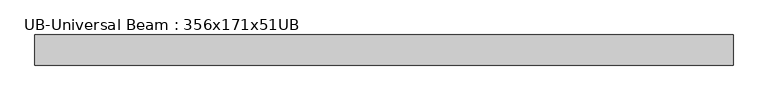
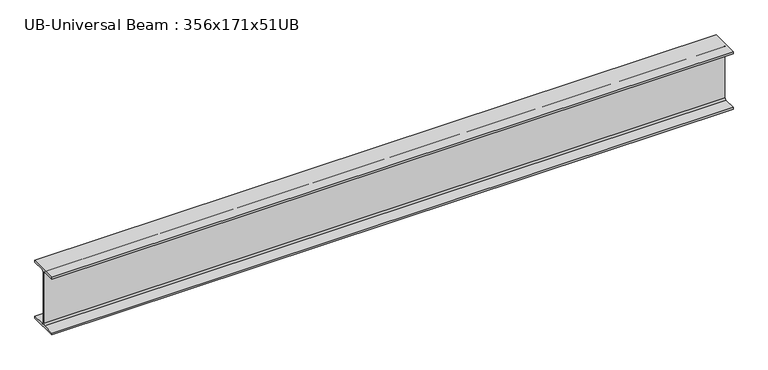
"""IFC4 building model written with IfcOpenShell, lengths in millimetres: beam geometry, UB-Universal Beam : 356x171x51UB."""

from ifc_helpers import new_model, si_unit, point, frame, frame_2d, origin, place, context, project, spatial, polyline, circle_curve, trimmed, segment, composite_curve, outline, extrude, source, transform, mapped, element, save


def ub_universal_beam_356x171x51ub_39a39c70(model_context):
    return source(origin(), model_context, "Body", "SweptSolid", [
        extrude(outline(composite_curve([segment(polyline([(85.75, -166.0), (85.75, -177.5), (-85.75, -177.5), (-85.75, -166.0), (-13.9, -166.0)]), True, "CONTINUOUS"), segment(trimmed(circle_curve(frame_2d((-13.9, -155.8)), 10.2), [point((-13.9, -166.0))], [point((-3.7, -155.8))], True, "CARTESIAN"), True, "CONTINUOUS"), segment(polyline([(-3.7, -155.8), (-3.7, 155.8)]), True, "CONTINUOUS"), segment(trimmed(circle_curve(frame_2d((-13.9, 155.8)), 10.2), [point((-3.7, 155.8))], [point((-13.9, 166.0))], True, "CARTESIAN"), True, "CONTINUOUS"), segment(polyline([(-13.9, 166.0), (-85.75, 166.0), (-85.75, 177.5), (85.75, 177.5), (85.75, 166.0), (13.9, 166.0)]), True, "CONTINUOUS"), segment(trimmed(circle_curve(frame_2d((13.9, 155.8)), 10.2), [point((13.9, 166.0))], [point((3.7, 155.8))], True, "CARTESIAN"), True, "CONTINUOUS"), segment(polyline([(3.7, 155.8), (3.7, -155.8)]), True, "CONTINUOUS"), segment(trimmed(circle_curve(frame_2d((13.9, -155.8)), 10.2), [point((3.7, -155.8))], [point((13.9, -166.0))], True, "CARTESIAN"), True, "CONTINUOUS"), segment(polyline([(13.9, -166.0), (85.75, -166.0)]), True, "CONTINUOUS")], self_intersect=False)), frame((-1987.2999994, 0.0, 0.0), z_axis=(1.0, 0.0, 0.0), x_axis=(0.0, 1.0, 0.0)), (0.0, 0.0, 1.0), 3974.5999988),
    ])


if __name__ == "__main__":
    model = new_model("IFC4")
    model_context = context("Model", 3, world=origin())
    ifc_project = project(units=[si_unit("LENGTHUNIT", "METRE", prefix="MILLI")], contexts=[model_context])
    site = spatial("IfcSite", under=ifc_project)
    building = spatial("IfcBuilding", under=site)
    placement = place(None, origin())
    ub_universal_beam_356x171x51ub_shape = ub_universal_beam_356x171x51ub_39a39c70(model_context)
    element("IfcBeam", 1, ObjectType="UB-Universal Beam : 356x171x51UB", at=placement, inside=building, context=model_context, shape_type="MappedRepresentation", body=[
        mapped(ub_universal_beam_356x171x51ub_shape, transform((0.0, 0.0, 0.0), x_axis=(1.0, 0.0, 0.0), y_axis=(0.0, 1.0, 0.0), z_axis=(0.0, 0.0, 1.0))),
    ])
    save(model, "model.ifc")
